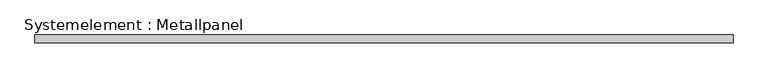
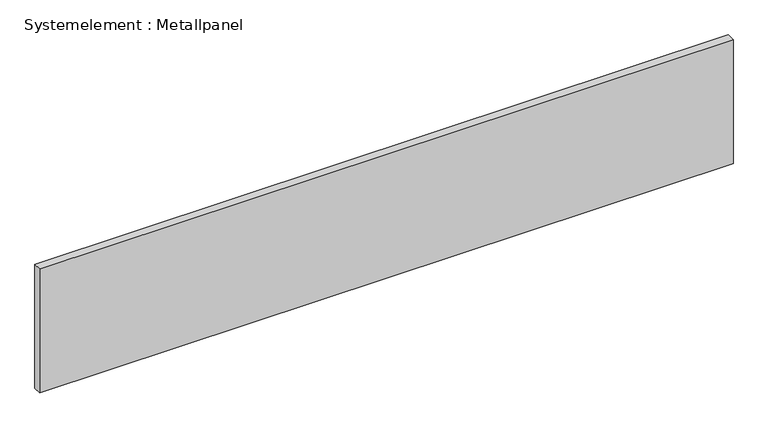
"""IFC4 building model written with IfcOpenShell, lengths in millimetres: plate geometry, Systemelement : Metallpanel."""

from ifc_helpers import new_model, si_unit, origin, origin_with_axes, place, context, project, spatial, polyline, outline, extrude, source, transform, mapped, element, save


def systemelement_metallpanel_0dfcaf54(model_context):
    return source(origin(), model_context, "Body", "SweptSolid", [
        extrude(outline(polyline([(1294.5224905, -15.0), (-1294.5224905, -15.0), (-1294.5224905, 15.0), (1294.5224905, 15.0), (1294.5224905, -15.0)])), origin_with_axes(), (0.0, 0.0, 1.0), 490.0),
    ])


if __name__ == "__main__":
    model = new_model("IFC4")
    model_context = context("Model", 3, world=origin())
    ifc_project = project(units=[si_unit("LENGTHUNIT", "METRE", prefix="MILLI")], contexts=[model_context])
    site = spatial("IfcSite", under=ifc_project)
    building = spatial("IfcBuilding", under=site)
    placement = place(None, origin())
    systemelement_metallpanel_shape = systemelement_metallpanel_0dfcaf54(model_context)
    element("IfcPlate", 1, ObjectType="Systemelement : Metallpanel", at=placement, inside=building, context=model_context, shape_type="MappedRepresentation", body=[
        mapped(systemelement_metallpanel_shape, transform((0.0, 0.0, 0.0), x_axis=(1.0, 0.0, 0.0), y_axis=(0.0, 1.0, 0.0), z_axis=(0.0, 0.0, 1.0))),
    ])
    save(model, "model.ifc")
